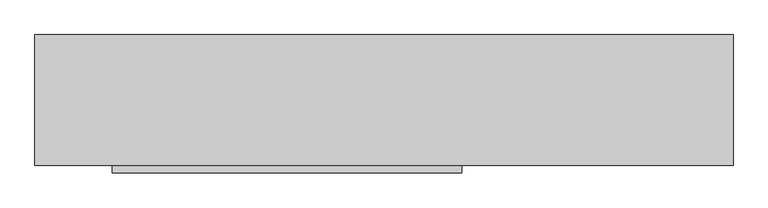
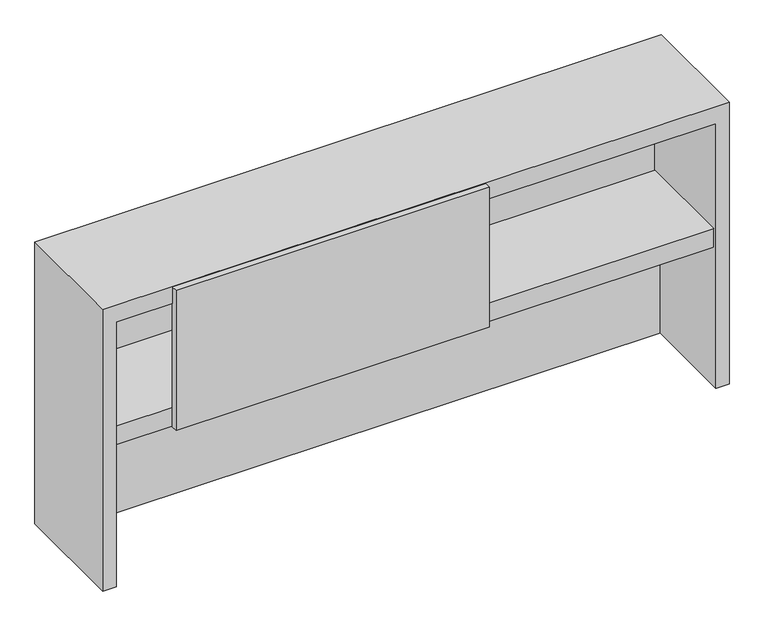
"""IFC4 building model written with IfcOpenShell, lengths in millimetres: furniture geometry."""

from ifc_helpers import new_model, si_unit, frame, origin, place, context, project, spatial, polyline, outline, extrude, faceted_brep, source, transform, mapped, element, save


def furniture_be110acd(model_context):
    return source(origin(), model_context, "Body", "SolidModel", [
        extrude(outline(polyline([(520.7, -361.95), (-393.7, -361.95), (-393.7, -342.9), (520.7, -342.9), (520.7, -361.95)])), frame((0.0, 0.0, 1173.1625), z_axis=(0.0, 0.0, 1.0), x_axis=(1.0, 0.0, 0.0)), (0.0, 0.0, 1.0), 431.8),
        extrude(outline(polyline([(319.0875, -31.75), (319.0875, -317.5), (315.9125, -317.5), (315.9125, -31.75), (319.0875, -31.75)])), frame((0.0, 0.0, 1223.9625), z_axis=(0.0, 0.0, 1.0), x_axis=(1.0, 0.0, 0.0)), (0.0, 0.0, 1.0), 330.2),
        faceted_brep([(-596.9, 0.0, 1606.55), (-596.9, -342.9, 1606.55), (1231.9, -342.9, 1606.55), (1231.9, 0.0, 1606.55), (-558.00625, -342.9, 736.6), (-596.9, -342.9, 736.6), (-596.9, 0.0, 736.6), (1231.9, 0.0, 736.6), (1231.9, -342.9, 736.6), (1193.00625, -342.9, 736.6), (1193.00625, -60.325, 736.6), (-558.00625, -60.325, 736.6), (-558.00625, -342.9, 1554.1625), (1193.00625, -342.9, 1554.1625), (-558.00625, -60.325, 1174.75), (-558.00625, -31.75, 1174.75), (-558.00625, -31.75, 1554.1625), (1193.00625, -31.75, 1174.75), (1193.00625, -31.75, 1554.1625), (1193.00625, -60.325, 1174.75)], [[[0, 1, 2, 3]], [[4, 5, 6, 7, 8, 9, 10, 11]], [[6, 0, 3, 7]], [[1, 0, 6, 5]], [[2, 1, 5, 4, 12, 13, 9, 8]], [[4, 11, 14, 15, 16, 12]], [[15, 17, 18, 16]], [[10, 9, 13, 18, 17, 19]], [[3, 2, 8, 7]], [[13, 12, 16, 18]], [[17, 15, 14, 19]], [[11, 10, 19, 14]]]),
        extrude(outline(polyline([(-331.7875, 1223.9625), (-36.5125, 1223.9625), (-36.5125, 1174.75), (-53.975, 1174.75), (-53.975, 1219.2), (-298.45, 1219.2), (-298.45, 1174.75), (-317.5, 1174.75), (-317.5, 1166.8125), (-331.7875, 1166.8125), (-331.7875, 1223.9625)])), frame((-558.00625, 0.0, 0.0), z_axis=(1.0, 0.0, 0.0), x_axis=(0.0, 1.0, 0.0)), (0.0, 0.0, 1.0), 1751.0125),
    ])


if __name__ == "__main__":
    model = new_model("IFC4")
    model_context = context("Model", 3, world=origin())
    ifc_project = project(units=[si_unit("LENGTHUNIT", "METRE", prefix="MILLI")], contexts=[model_context])
    site = spatial("IfcSite", under=ifc_project)
    building = spatial("IfcBuilding", under=site)
    placement = place(None, origin())
    furniture_shape = furniture_be110acd(model_context)
    element("IfcFurniture", 1, at=placement, inside=building, context=model_context, shape_type="MappedRepresentation", body=[
        mapped(furniture_shape, transform((0.0, 0.0, 0.0), x_axis=(1.0, 0.0, 0.0), y_axis=(0.0, 1.0, 0.0), z_axis=(0.0, 0.0, 1.0))),
    ])
    save(model, "model.ifc")
